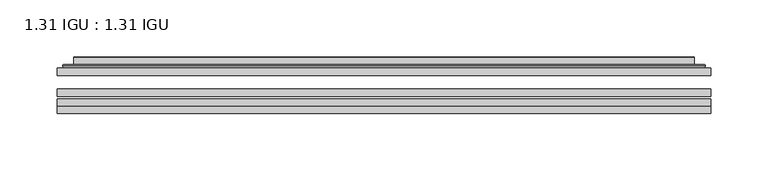
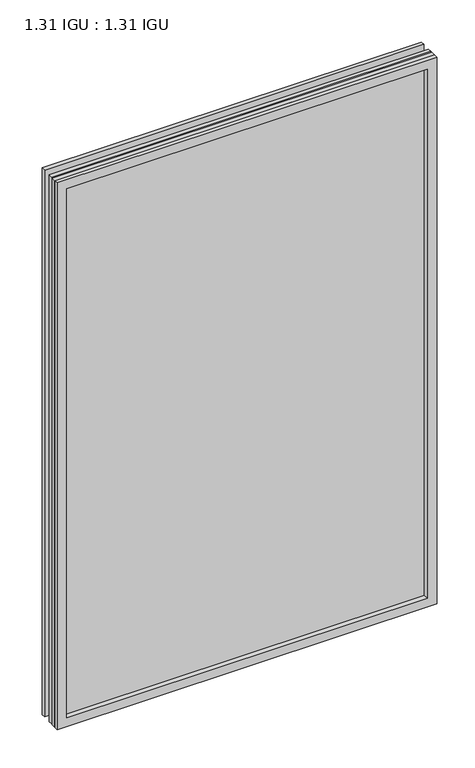
"""IFC4 building model written with IfcOpenShell, lengths in millimetres: plate geometry, 1.31 IGU : 1.31 IGU."""

from ifc_helpers import new_model, si_unit, frame, origin, place, context, project, spatial, polyline, ellipse_curve, outline, extrude, faceted_brep, source, transform, mapped, element, save
from ifc_brep_helpers import plane_surface, cylinder_surface, advanced_brep


def plate_1_31_igu_1_31_igu_21f91574(model_context):
    return source(origin(), model_context, "Body", "SolidModel", [
        extrude(outline(polyline([(285.764175, -63.2975937), (285.764175, -69.6475938), (-285.75, -69.6475938), (-285.75, -63.2975937), (285.764175, -63.2975937)])), frame((0.0, 0.0, -14.2875), z_axis=(0.0, 0.0, 1.0), x_axis=(1.0, 0.0, 0.0)), (0.0, 0.0, 1.0), 869.9537979),
        extrude(outline(polyline([(-285.75, -78.2835938), (-285.75, -71.9330887), (285.764175, -71.9330887), (285.764175, -78.2835938), (-285.75, -78.2835938)])), frame((0.0, 0.0, -14.2875), z_axis=(0.0, 0.0, 1.0), x_axis=(1.0, 0.0, 0.0)), (0.0, 0.0, 1.0), 869.9537979),
        extrude(outline(polyline([(285.764175, -44.9587937), (285.764175, -51.3087938), (-285.75, -51.3087938), (-285.75, -44.9587937), (285.764175, -44.9587937)])), frame((0.0, 0.0, -14.2875), z_axis=(0.0, 0.0, 1.0), x_axis=(1.0, 0.0, 0.0)), (0.0, 0.0, 1.0), 869.9537979),
        faceted_brep([(-285.7627, -84.6335937, 855.6752), (-285.7627, -78.2835937, 855.6752), (-285.7627, -78.2835937, -14.3002), (-285.7627, -84.6335937, -14.3002), (285.7627, -78.2835937, -14.3002), (285.7627, -84.6335937, -14.3002), (285.7627, -78.2835937, 855.6752), (285.7627, -84.6335937, 855.6752), (-270.5647559, -78.2835937, 0.8977441), (270.5647559, -78.2835937, 0.8977441), (270.5647559, -78.2835937, 840.4772559), (-270.5647559, -78.2835937, 840.4772559), (-271.4571902, -84.6335937, 841.3696902), (271.4571902, -84.6335937, 841.3696902), (271.4571902, -84.6335937, 0.0053098), (-271.4571902, -84.6335937, 0.0053098)], [[[0, 1, 2, 3]], [[3, 2, 4, 5]], [[5, 4, 6, 7]], [[1, 6, 4, 2], [8, 9, 10, 11]], [[7, 6, 1, 0]], [[3, 5, 7, 0], [12, 13, 14, 15]], [[11, 12, 15, 8]], [[8, 15, 14, 9]], [[9, 14, 13, 10]], [[10, 13, 12, 11]]]),
        advanced_brep(
        [(-278.508719, -44.9587937, 848.421219), (-280.8629244, -42.9691271, 850.7754244), (-280.8629244, -42.9691271, -9.4004244), (-278.508719, -44.9587937, -7.046219), (-269.4343939, -41.1187568, 839.3468939), (-264.4995621, -44.9587937, 834.4120621), (-264.4995621, -44.9587937, 6.9629379), (-269.4343939, -41.1187568, 2.0281061), (-270.4664217, -35.7215256, 840.3789217), (-270.4664217, -35.7215256, 0.9960783), (-271.4570784, -35.3225507, 841.3695784), (-271.4570784, -35.3225507, 0.0054216), (-271.4570784, -41.7837937, 841.3695784), (-271.4570784, -41.7837937, 0.0054216), (-279.8611349, -41.7837937, 849.7736349), (-279.8611349, -41.7837937, -8.3986349), (280.8629244, -42.9691271, -9.4004244), (278.508719, -44.9587937, -7.046219), (264.4995621, -44.9587937, 6.9629379), (269.4343939, -41.1187568, 2.0281061), (270.4664217, -35.7215256, 0.9960783), (271.4570784, -35.3225507, 0.0054216), (271.4570784, -41.7837937, 0.0054216), (279.8611349, -41.7837937, -8.3986349), (280.8629244, -42.9691271, 850.7754244), (278.508719, -44.9587937, 848.421219), (264.4995621, -44.9587937, 834.4120621), (269.4343939, -41.1187568, 839.3468939), (270.4664217, -35.7215256, 840.3789217), (271.4570784, -35.3225507, 841.3695784), (271.4570784, -41.7837937, 841.3695784), (279.8611349, -41.7837937, 849.7736349)],
        [
            (0, 1, ellipse_curve(frame((-278.508719, -42.5711937, 848.421219), z_axis=(-0.7071067811865475, 0.0, -0.7071067811865475), x_axis=(-0.7071067811865474, 0.0, 0.7071067811865476)), 3.3765763, 2.3876)),
            (1, 2),
            (2, 3, ellipse_curve(frame((-278.508719, -42.5711937, -7.046219), z_axis=(-0.7071067811865475, 0.0, 0.7071067811865475), x_axis=(0.7071067811865474, 0.0, 0.7071067811865476)), 3.3765763, 2.3876)),
            (3, 0),
            (4, 5),
            (5, 6),
            (6, 7),
            (7, 4),
            (8, 4),
            (7, 9),
            (9, 8),
            (10, 8, ellipse_curve(frame((-271.0901219, -35.840786, 841.0026219), z_axis=(-0.7071067811865475, 0.0, -0.7071067811865475), x_axis=(-0.7071067811865474, 0.0, 0.7071067811865476)), 0.8980256, 0.635)),
            (9, 11, ellipse_curve(frame((-271.0901219, -35.840786, 0.3723781), z_axis=(-0.7071067811865475, 0.0, 0.7071067811865475), x_axis=(0.7071067811865474, 0.0, 0.7071067811865476)), 0.8980256, 0.635)),
            (11, 10),
            (12, 10),
            (11, 13),
            (13, 12),
            (1, 14, ellipse_curve(frame((-279.8611349, -42.7997937, 849.7736349), z_axis=(-0.7071067811865475, 0.0, -0.7071067811865475), x_axis=(-0.7071067811865474, 0.0, 0.7071067811865476)), 1.436841, 1.016)),
            (14, 15),
            (15, 2, ellipse_curve(frame((-279.8611349, -42.7997937, -8.3986349), z_axis=(-0.7071067811865475, 0.0, 0.7071067811865475), x_axis=(0.7071067811865474, 0.0, 0.7071067811865476)), 1.436841, 1.016)),
            (2, 16),
            (16, 17, ellipse_curve(frame((278.508719, -42.5711937, -7.046219), z_axis=(-0.7071067811865475, 0.0, -0.7071067811865475), x_axis=(-0.7071067811865476, 0.0, 0.7071067811865474)), 3.3765763, 2.3876)),
            (17, 3),
            (6, 18),
            (18, 19),
            (19, 7),
            (19, 20),
            (20, 9),
            (20, 21, ellipse_curve(frame((271.0901219, -35.840786, 0.3723781), z_axis=(-0.7071067811865475, 0.0, -0.7071067811865475), x_axis=(-0.7071067811865476, 0.0, 0.7071067811865474)), 0.8980256, 0.635)),
            (21, 11),
            (21, 22),
            (22, 13),
            (15, 23),
            (23, 16, ellipse_curve(frame((279.8611349, -42.7997937, -8.3986349), z_axis=(-0.7071067811865475, 0.0, -0.7071067811865475), x_axis=(-0.7071067811865476, 0.0, 0.7071067811865474)), 1.436841, 1.016)),
            (16, 24),
            (24, 25, ellipse_curve(frame((278.508719, -42.5711937, 848.421219), z_axis=(0.7071067811865475, 0.0, -0.7071067811865475), x_axis=(-0.7071067811865474, 0.0, -0.7071067811865476)), 3.3765763, 2.3876)),
            (25, 17),
            (18, 26),
            (26, 27),
            (27, 19),
            (27, 28),
            (28, 20),
            (28, 29, ellipse_curve(frame((271.0901219, -35.840786, 841.0026219), z_axis=(0.7071067811865475, 0.0, -0.7071067811865475), x_axis=(-0.7071067811865474, 0.0, -0.7071067811865476)), 0.8980256, 0.635)),
            (29, 21),
            (29, 30),
            (30, 22),
            (23, 31),
            (31, 24, ellipse_curve(frame((279.8611349, -42.7997937, 849.7736349), z_axis=(0.7071067811865475, 0.0, -0.7071067811865475), x_axis=(-0.7071067811865474, 0.0, -0.7071067811865476)), 1.436841, 1.016)),
            (24, 1),
            (0, 25),
            (5, 26),
            (4, 27),
            (8, 28),
            (10, 29),
            (12, 30),
            (14, 31),
        ],
        [
            cylinder_surface(frame((-278.508719, -42.5711937, 873.125), z_axis=(0.0, 0.0, 1.0), x_axis=(-1.0, 0.0, 0.0)), 2.3876),
            plane_surface(frame((-264.4995621, -44.9587937, 834.4120621), z_axis=(0.6141233906514794, 0.7892100234124821, 0.0), x_axis=(0.0, 0.0, -1.0))),
            plane_surface(frame((-269.4343939, -41.1187568, 839.3468939), z_axis=(0.9822050625507729, 0.18781164793386074, 0.0), x_axis=(0.0, 0.0, -1.0))),
            cylinder_surface(frame((-271.0901219, -35.840786, 873.125), z_axis=(0.0, 0.0, 1.0), x_axis=(-1.0, 0.0, 0.0)), 0.635),
            plane_surface(frame((-271.4570784, -35.3225507, 841.3695784), z_axis=(-1.0, 0.0, 0.0), x_axis=(0.0, 0.0, -1.0))),
            cylinder_surface(frame((-279.8611349, -42.7997937, 873.125), z_axis=(0.0, 0.0, 1.0), x_axis=(-1.0, 0.0, 0.0)), 1.016),
            cylinder_surface(frame((-303.2125, -42.5711937, -7.046219), z_axis=(-1.0, 0.0, 0.0), x_axis=(0.0, 0.0, -1.0)), 2.3876),
            plane_surface(frame((-264.4995621, -44.9587937, 6.9629379), z_axis=(0.0, 0.7892100234124841, 0.6141233906514768), x_axis=(1.0, 0.0, 0.0))),
            plane_surface(frame((-269.4343939, -41.1187568, 2.0281061), z_axis=(0.0, 0.18781164793386393, 0.9822050625507723), x_axis=(1.0, 0.0, 0.0))),
            cylinder_surface(frame((-303.2125, -35.840786, 0.3723781), z_axis=(-1.0, 0.0, 0.0), x_axis=(0.0, 0.0, -1.0)), 0.635),
            plane_surface(frame((-271.4570784, -35.3225507, 0.0054216), z_axis=(0.0, 0.0, -1.0), x_axis=(1.0, 0.0, 0.0))),
            cylinder_surface(frame((-303.2125, -42.7997937, -8.3986349), z_axis=(-1.0, 0.0, 0.0), x_axis=(0.0, 0.0, -1.0)), 1.016),
            cylinder_surface(frame((278.508719, -42.5711937, -31.75), z_axis=(0.0, 0.0, -1.0), x_axis=(1.0, 0.0, 0.0)), 2.3876),
            plane_surface(frame((264.4995621, -44.9587937, 6.9629379), z_axis=(-0.6141233906514743, 0.7892100234124861, 0.0), x_axis=(0.0, 0.0, 1.0))),
            plane_surface(frame((269.4343939, -41.1187568, 2.0281061), z_axis=(-0.9822050625507718, 0.18781164793386712, 0.0), x_axis=(0.0, 0.0, 1.0))),
            cylinder_surface(frame((271.0901219, -35.840786, -31.75), z_axis=(0.0, 0.0, -1.0), x_axis=(1.0, 0.0, 0.0)), 0.635),
            plane_surface(frame((271.4570784, -35.3225507, 0.0054216), z_axis=(1.0, 0.0, 0.0), x_axis=(0.0, 0.0, 1.0))),
            cylinder_surface(frame((279.8611349, -42.7997937, -31.75), z_axis=(0.0, 0.0, -1.0), x_axis=(1.0, 0.0, 0.0)), 1.016),
            cylinder_surface(frame((303.2125, -42.5711937, 848.421219), z_axis=(1.0, 0.0, 0.0), x_axis=(0.0, 0.0, 1.0)), 2.3876),
            plane_surface(frame((278.508719, -44.9587937, 848.421219), z_axis=(0.0, -1.0, 0.0), x_axis=(-1.0, 0.0, 0.0))),
            plane_surface(frame((264.4995621, -44.9587937, 834.4120621), z_axis=(0.0, 0.7892100234124841, -0.6141233906514768), x_axis=(-1.0, 0.0, 0.0))),
            plane_surface(frame((269.4343939, -41.1187568, 839.3468939), z_axis=(0.0, 0.18781164793386393, -0.9822050625507723), x_axis=(-1.0, 0.0, 0.0))),
            cylinder_surface(frame((303.2125, -35.840786, 841.0026219), z_axis=(1.0, 0.0, 0.0), x_axis=(0.0, 0.0, 1.0)), 0.635),
            plane_surface(frame((271.4570784, -35.3225507, 841.3695784), z_axis=(0.0, 0.0, 1.0), x_axis=(-1.0, 0.0, 0.0))),
            plane_surface(frame((271.4570784, -41.7837937, 841.3695784), z_axis=(0.0, 1.0, 0.0), x_axis=(-1.0, 0.0, 0.0))),
            cylinder_surface(frame((303.2125, -42.7997937, 849.7736349), z_axis=(1.0, 0.0, 0.0), x_axis=(0.0, 0.0, 1.0)), 1.016),
        ],
        [
            (0, [[1, 2, 3, 4]]),
            (1, [[5, 6, 7, 8]]),
            (2, [[9, -8, 10, 11]]),
            (3, [[12, -11, 13, 14]]),
            (4, [[15, -14, 16, 17]]),
            (5, [[18, 19, 20, -2]]),
            (6, [[-3, 21, 22, 23]]),
            (7, [[-7, 24, 25, 26]]),
            (8, [[-10, -26, 27, 28]]),
            (9, [[-13, -28, 29, 30]]),
            (10, [[-16, -30, 31, 32]]),
            (11, [[-20, 33, 34, -21]]),
            (12, [[-22, 35, 36, 37]]),
            (13, [[-25, 38, 39, 40]]),
            (14, [[-27, -40, 41, 42]]),
            (15, [[-29, -42, 43, 44]]),
            (16, [[-31, -44, 45, 46]]),
            (17, [[-34, 47, 48, -35]]),
            (18, [[-36, 49, -1, 50]]),
            (19, [[-23, -37, -50, -4], [51, -38, -24, -6]]),
            (20, [[-39, -51, -5, 52]]),
            (21, [[-41, -52, -9, 53]]),
            (22, [[-43, -53, -12, 54]]),
            (23, [[-45, -54, -15, 55]]),
            (24, [[56, -47, -33, -19], [-32, -46, -55, -17]]),
            (25, [[-48, -56, -18, -49]]),
        ],
    ),
    ])


if __name__ == "__main__":
    model = new_model("IFC4")
    model_context = context("Model", 3, world=origin())
    ifc_project = project(units=[si_unit("LENGTHUNIT", "METRE", prefix="MILLI")], contexts=[model_context])
    site = spatial("IfcSite", under=ifc_project)
    building = spatial("IfcBuilding", under=site)
    placement = place(None, origin())
    plate_1_31_igu_1_31_igu_shape = plate_1_31_igu_1_31_igu_21f91574(model_context)
    element("IfcPlate", 1, ObjectType="1.31 IGU : 1.31 IGU", at=placement, inside=building, context=model_context, shape_type="MappedRepresentation", body=[
        mapped(plate_1_31_igu_1_31_igu_shape, transform((0.0, 0.0, 0.0), x_axis=(1.0, 0.0, 0.0), y_axis=(0.0, 1.0, 0.0), z_axis=(0.0, 0.0, 1.0))),
    ])
    save(model, "model.ifc")
